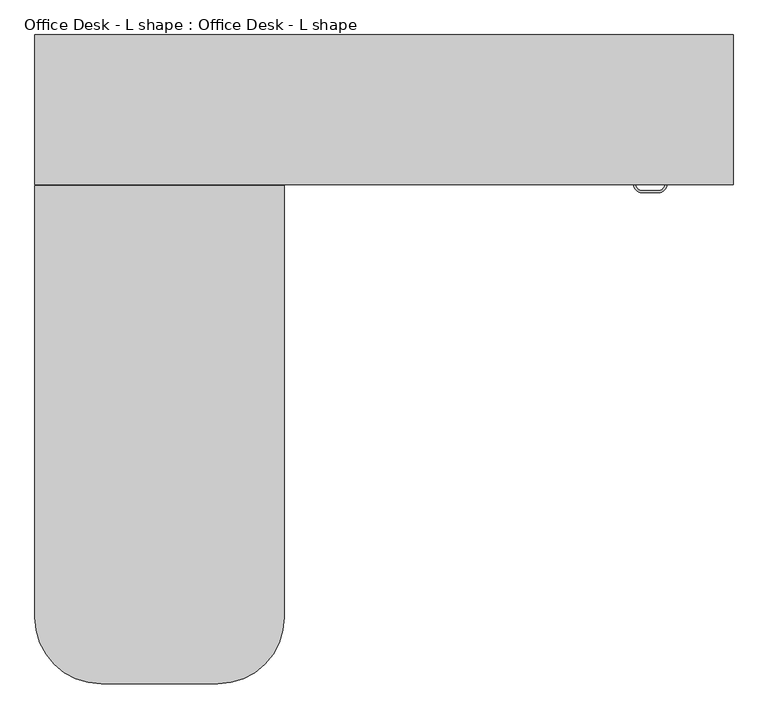
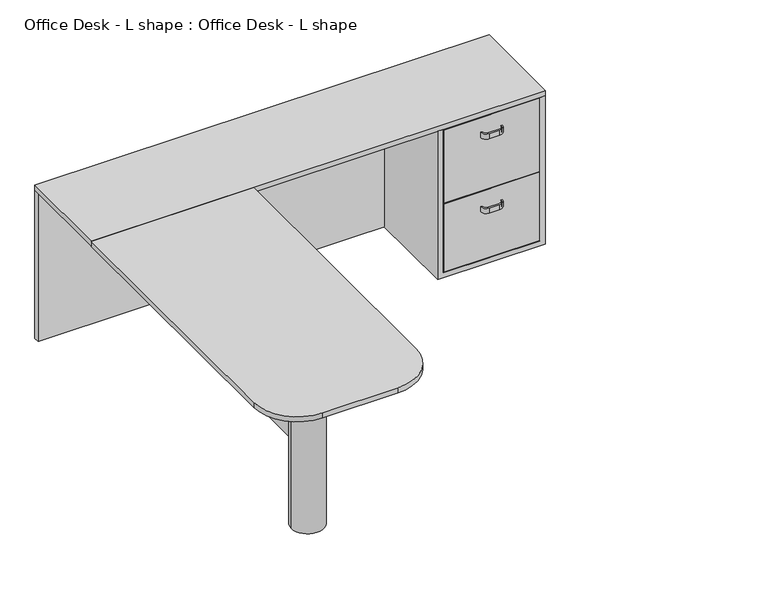
"""IFC4 building model written with IfcOpenShell, lengths in millimetres: furniture geometry, Office Desk - L shape : Office Desk - L shape."""

from ifc_helpers import new_model, si_unit, point, frame, frame_2d, origin, origin_with_axes, place, context, project, spatial, polyline, circle_curve, trimmed, segment, composite_curve, outline, extrude, faceted_brep, source, transform, mapped, element, save


def office_desk_l_shape_office_desk_l_shape_fe74480e(model_context):
    return source(origin(), model_context, "Body", "SolidModel", [
        extrude(outline(polyline([(-674.852173, 0.0), (-370.052173, 0.0), (-370.052173, -609.6), (-674.852173, -609.6), (-674.852173, 0.0)])), frame((0.0, 0.0, 695.6494184), z_axis=(0.0, 0.0, 1.0), x_axis=(1.0, 0.0, 0.0)), (0.0, 0.0, 1.0), 38.1),
        extrude(outline(composite_curve([segment(polyline([(773.7196372, 137.6578213), (722.9196372, 137.6578213)]), True, "CONTINUOUS"), segment(trimmed(circle_curve(frame_2d((722.9196372, 163.0578213)), 25.4), [point((722.9196372, 137.6578213))], [point((697.5196372, 163.0578213))], False, "CARTESIAN"), True, "CONTINUOUS"), segment(polyline([(697.5196372, 163.0578213), (703.8696372, 163.0578213)]), True, "CONTINUOUS"), segment(trimmed(circle_curve(frame_2d((722.9196372, 163.0578213)), 19.05), [point((703.8696372, 163.0578213))], [point((722.9196372, 144.0078213))], True, "CARTESIAN"), True, "CONTINUOUS"), segment(polyline([(722.9196372, 144.0078213), (773.7196372, 144.0078213)]), True, "CONTINUOUS"), segment(trimmed(circle_curve(frame_2d((773.7196372, 163.0578213)), 19.05), [point((773.7196372, 144.0078213))], [point((792.7696372, 163.0578213))], True, "CARTESIAN"), True, "CONTINUOUS"), segment(polyline([(792.7696372, 163.0578213), (799.1196372, 163.0578213)]), True, "CONTINUOUS"), segment(trimmed(circle_curve(frame_2d((773.7196372, 163.0578213)), 25.4), [point((799.1196372, 163.0578213))], [point((773.7196372, 137.6578213))], False, "CARTESIAN"), True, "CONTINUOUS")], self_intersect=False)), frame((0.0, 0.0, 266.9011355), z_axis=(0.0, 0.0, 1.0), x_axis=(1.0, 0.0, 0.0)), (0.0, 0.0, 1.0), 25.0236577),
        extrude(outline(composite_curve([segment(polyline([(773.7196372, 137.6578213), (722.9196372, 137.6578213)]), True, "CONTINUOUS"), segment(trimmed(circle_curve(frame_2d((722.9196372, 163.0578213)), 25.4), [point((722.9196372, 137.6578213))], [point((697.5196372, 163.0578213))], False, "CARTESIAN"), True, "CONTINUOUS"), segment(polyline([(697.5196372, 163.0578213), (703.8696372, 163.0578213)]), True, "CONTINUOUS"), segment(trimmed(circle_curve(frame_2d((722.9196372, 163.0578213)), 19.05), [point((703.8696372, 163.0578213))], [point((722.9196372, 144.0078213))], True, "CARTESIAN"), True, "CONTINUOUS"), segment(polyline([(722.9196372, 144.0078213), (773.7196372, 144.0078213)]), True, "CONTINUOUS"), segment(trimmed(circle_curve(frame_2d((773.7196372, 163.0578213)), 19.05), [point((773.7196372, 144.0078213))], [point((792.7696372, 163.0578213))], True, "CARTESIAN"), True, "CONTINUOUS"), segment(polyline([(792.7696372, 163.0578213), (799.1196372, 163.0578213)]), True, "CONTINUOUS"), segment(trimmed(circle_curve(frame_2d((773.7196372, 163.0578213)), 25.4), [point((799.1196372, 163.0578213))], [point((773.7196372, 137.6578213))], False, "CARTESIAN"), True, "CONTINUOUS")], self_intersect=False)), frame((0.0, 0.0, 636.0613784), z_axis=(0.0, 0.0, 1.0), x_axis=(1.0, 0.0, 0.0)), (0.0, 0.0, 1.0), 25.6830473),
        extrude(outline(polyline([(972.972827, 163.0578213), (523.6664474, 163.0578213), (523.6664474, 188.4578213), (972.972827, 188.4578213), (972.972827, 163.0578213)])), frame((0.0, 0.0, 369.4553677), z_axis=(0.0, 0.0, 1.0), x_axis=(1.0, 0.0, 0.0)), (0.0, 0.0, 1.0), 364.2940507),
        extrude(outline(polyline([(972.972827, 163.0578213), (523.6664474, 163.0578213), (523.6664474, 188.4578213), (972.972827, 188.4578213), (972.972827, 163.0578213)])), frame((0.0, 0.0, 27.6218343), z_axis=(0.0, 0.0, 1.0), x_axis=(1.0, 0.0, 0.0)), (0.0, 0.0, 1.0), 338.6585333),
        faceted_brep([(495.0914474, 620.2578213, 736.9244184), (495.0914474, 163.0578213, 736.9244184), (520.4914474, 163.0578213, 736.9244184), (520.4914474, 594.8578213, 736.9244184), (976.147827, 594.8578213, 736.9244184), (976.147827, 163.0578213, 736.9244184), (1001.547827, 163.0578213, 736.9244184), (1001.547827, 620.2578213, 736.9244184), (495.0914474, 620.2578213, 0.0), (1001.547827, 620.2578213, 0.0), (1001.547827, 163.0578213, 0.0), (495.0914474, 163.0578213, 0.0), (976.147827, 163.0578213, 24.4468343), (520.4914474, 163.0578213, 24.4468343), (520.4914474, 594.8578213, 24.4468343), (976.147827, 594.8578213, 24.4468343)], [[[0, 1, 2, 3, 4, 5, 6, 7]], [[8, 9, 10, 11]], [[1, 0, 8, 11]], [[11, 10, 6, 5, 12, 13, 2, 1]], [[7, 6, 10, 9]], [[0, 7, 9, 8]], [[14, 13, 12, 15]], [[13, 14, 3, 2]], [[15, 12, 5, 4]], [[14, 15, 4, 3]]]),
        extrude(outline(polyline([(1001.547827, 620.2578213), (1001.547827, 163.0578213), (-1132.052173, 163.0578213), (-1132.052173, 620.2578213), (1001.547827, 620.2578213)])), frame((0.0, 0.0, 736.9244184), z_axis=(0.0, 0.0, 1.0), x_axis=(1.0, 0.0, 0.0)), (0.0, 0.0, 1.0), 25.0755816),
        extrude(outline(polyline([(-1132.052173, 620.2578213), (647.4914474, 620.2578213), (647.4914474, 594.8578213), (-1132.052173, 594.8578213), (-1132.052173, 620.2578213)])), origin_with_axes(), (0.0, 0.0, 1.0), 736.9244184),
        extrude(outline(polyline([(-814.266761, -992.0440149), (-839.666761, -992.0440149), (-839.666761, 594.8578213), (-814.266761, 594.8578213), (-814.266761, -992.0440149)])), frame((0.0, 0.0, 355.9495182), z_axis=(0.0, 0.0, 1.0), x_axis=(1.0, 0.0, 0.0)), (0.0, 0.0, 1.0), 380.9749002),
        extrude(outline(composite_curve([segment(trimmed(circle_curve(frame_2d((-826.966761, -1068.2440149)), 76.2), [point((-903.166761, -1068.2440149))], [point((-750.766761, -1068.2440149))], False, "CARTESIAN"), True, "CONTINUOUS"), segment(trimmed(circle_curve(frame_2d((-826.966761, -1068.2440149)), 76.2), [point((-750.766761, -1068.2440149))], [point((-903.166761, -1068.2440149))], False, "CARTESIAN"), True, "CONTINUOUS")], self_intersect=False)), origin_with_axes(), (0.0, 0.0, 1.0), 736.9244184),
        extrude(outline(composite_curve([segment(polyline([(-370.052173, 159.8828213), (-370.052173, -1160.9171787)]), True, "CONTINUOUS"), segment(trimmed(circle_curve(frame_2d((-573.252173, -1160.9171787)), 203.2), [point((-370.052173, -1160.9171787))], [point((-573.252173, -1364.1171787))], False, "CARTESIAN"), True, "CONTINUOUS"), segment(polyline([(-573.252173, -1364.1171787), (-928.852173, -1364.1171787)]), True, "CONTINUOUS"), segment(trimmed(circle_curve(frame_2d((-928.852173, -1160.9171787)), 203.2), [point((-928.852173, -1364.1171787))], [point((-1132.052173, -1160.9171787))], False, "CARTESIAN"), True, "CONTINUOUS"), segment(polyline([(-1132.052173, -1160.9171787), (-1132.052173, 159.8828213), (-370.052173, 159.8828213)]), True, "CONTINUOUS")], self_intersect=False)), frame((0.0, 0.0, 736.9244184), z_axis=(0.0, 0.0, 1.0), x_axis=(1.0, 0.0, 0.0)), (0.0, 0.0, 1.0), 25.0755816),
    ])


if __name__ == "__main__":
    model = new_model("IFC4")
    model_context = context("Model", 3, world=origin())
    ifc_project = project(units=[si_unit("LENGTHUNIT", "METRE", prefix="MILLI")], contexts=[model_context])
    site = spatial("IfcSite", under=ifc_project)
    building = spatial("IfcBuilding", under=site)
    placement = place(None, origin())
    office_desk_l_shape_office_desk_l_shape_shape = office_desk_l_shape_office_desk_l_shape_fe74480e(model_context)
    element("IfcFurniture", 1, ObjectType="Office Desk - L shape : Office Desk - L shape", at=placement, inside=building, context=model_context, shape_type="MappedRepresentation", body=[
        mapped(office_desk_l_shape_office_desk_l_shape_shape, transform((0.0, 0.0, 0.0), x_axis=(1.0, 0.0, 0.0), y_axis=(0.0, 1.0, 0.0), z_axis=(0.0, 0.0, 1.0))),
    ])
    save(model, "model.ifc")
